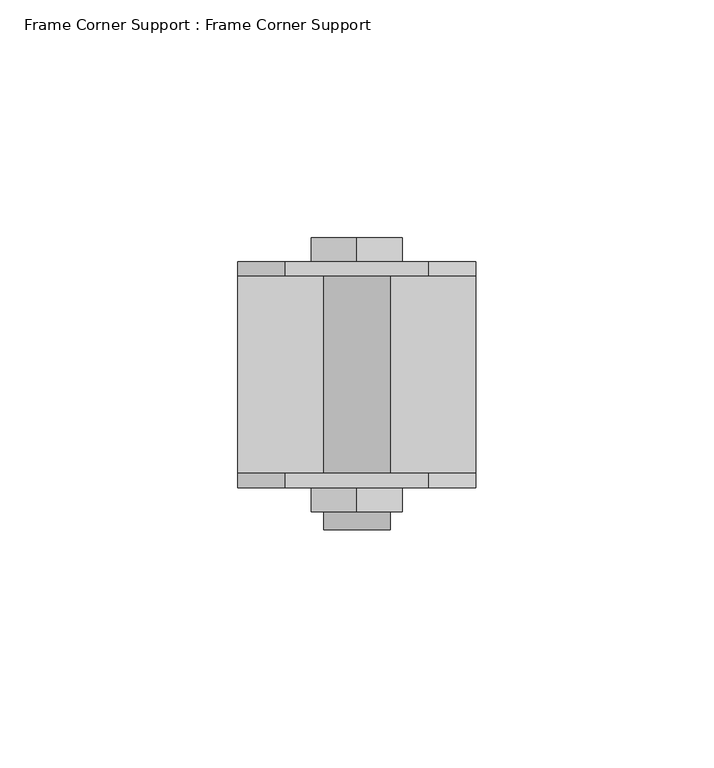
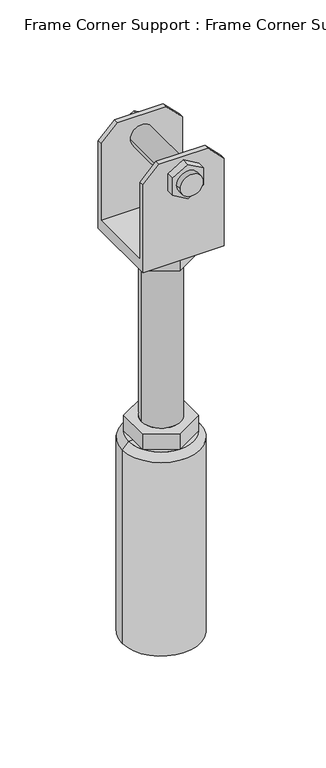
"""IFC4 building model written with IfcOpenShell, lengths in millimetres: proxy geometry, Frame Corner Support : Frame Corner Support."""

from ifc_helpers import new_model, si_unit, frame, origin, place, context, project, spatial, polyline, circle_curve, source, transform, mapped, element, save
from ifc_brep_helpers import plane_surface, cylinder_surface, revolved_surface, advanced_brep


def frame_corner_support_frame_corner_support_e8d8b887(model_context):
    return source(origin(), model_context, "Body", "AdvancedBrep", [
        advanced_brep(
        [(15.0, -20.75, 323.0), (25.0, -20.75, 313.0), (25.0, -20.75, 263.0), (-25.0, -20.75, 263.0), (-25.0, -20.75, 313.0), (-15.0, -20.75, 323.0), (7.0, -20.75, 309.5), (-7.0, -20.75, 309.5), (15.0, -23.75, 323.0), (-15.0, -23.75, 323.0), (-25.0, -23.75, 313.0), (-25.0, -23.75, 256.0), (25.0, -23.75, 256.0), (25.0, -23.75, 313.0), (-9.5805489, -23.75, 303.9686675), (-9.5805489, -23.75, 315.0313325), (0.0, -23.75, 320.562665), (9.5805489, -23.75, 315.0313325), (9.5805489, -23.75, 303.9686675), (0.0, -23.75, 298.437335), (15.0, 23.75, 323.0), (25.0, 23.75, 313.0), (25.0, 23.75, 256.0), (-25.0, 23.75, 256.0), (-25.0, 23.75, 313.0), (-15.0, 23.75, 323.0), (9.5805489, 23.75, 315.0313325), (0.0, 23.75, 320.562665), (-9.5805489, 23.75, 315.0313325), (-9.5805489, 23.75, 303.9686675), (0.0, 23.75, 298.437335), (9.5805489, 23.75, 303.9686675), (-25.0, 20.75, 263.0), (-25.0, 20.75, 313.0), (25.0, 20.75, 263.0), (25.0, 20.75, 313.0), (15.0, 20.75, 323.0), (-15.0, 20.75, 323.0), (-7.0, 20.75, 309.5), (7.0, 20.75, 309.5), (-17.3205081, 10.0, 256.0), (-17.3205081, -10.0, 256.0), (0.0, -20.0, 256.0), (17.3205081, -10.0, 256.0), (17.3205081, 10.0, 256.0), (0.0, 20.0, 256.0), (-7.0, -32.5981376, 309.5), (7.0, -32.5981376, 309.5), (7.0, -28.75, 309.5), (-7.0, -28.75, 309.5), (-9.5805489, -28.75, 315.0313325), (-9.5805489, -28.75, 303.9686675), (0.0, -28.75, 298.437335), (9.5805489, -28.75, 303.9686675), (9.5805489, -28.75, 315.0313325), (0.0, -28.75, 320.562665), (0.0, 28.75, 320.562665), (9.5805489, 28.75, 315.0313325), (9.5805489, 28.75, 303.9686675), (0.0, 28.75, 298.437335), (-9.5805489, 28.75, 303.9686675), (-9.5805489, 28.75, 315.0313325), (-17.3205081, 10.0, 246.0), (0.0, 20.0, 246.0), (17.3205081, 10.0, 246.0), (17.3205081, -10.0, 246.0), (0.0, -20.0, 246.0), (-17.3205081, -10.0, 246.0), (-12.0, 0.0, 246.0), (12.0, 0.0, 246.0), (-12.0, 0.0, 140.0), (12.0, 0.0, 140.0), (-17.3205081, 10.0, 140.0), (-17.3205081, -10.0, 140.0), (0.0, -20.0, 140.0), (17.3205081, -10.0, 140.0), (17.3205081, 10.0, 140.0), (0.0, 20.0, 140.0), (-17.3205081, 10.0, 130.0), (-17.3205081, 0.0, 130.0), (-17.3205081, -10.0, 130.0), (0.0, -20.0, 130.0), (17.3205081, -10.0, 130.0), (17.3205081, 0.0, 130.0), (17.3205081, 10.0, 130.0), (0.0, 20.0, 130.0), (-20.0, 0.0, 130.0), (20.0, 0.0, 130.0), (24.0, 0.0, 126.0), (-24.0, 0.0, 126.0), (24.0, 0.0, 0.0), (-24.0, 0.0, 0.0), (0.0, 0.0, 0.0)],
        [
            (0, 1),
            (1, 2),
            (2, 3),
            (3, 4),
            (4, 5),
            (5, 0),
            (6, 7, circle_curve(frame((0.0, -20.75, 309.5), z_axis=(0.0, -1.0, 0.0), x_axis=(-1.0, 0.0, 0.0)), 7.0)),
            (7, 6, circle_curve(frame((0.0, -20.75, 309.5), z_axis=(0.0, -1.0, 0.0), x_axis=(-1.0, 0.0, 0.0)), 7.0)),
            (8, 9),
            (9, 10),
            (10, 11),
            (11, 12),
            (12, 13),
            (13, 8),
            (14, 15),
            (15, 16),
            (16, 17),
            (17, 18),
            (18, 19),
            (19, 14),
            (5, 9),
            (8, 0),
            (4, 10),
            (13, 1),
            (20, 21),
            (21, 22),
            (22, 23),
            (23, 24),
            (24, 25),
            (25, 20),
            (26, 27),
            (27, 28),
            (28, 29),
            (29, 30),
            (30, 31),
            (31, 26),
            (32, 33),
            (33, 24),
            (23, 11),
            (3, 32),
            (32, 34),
            (34, 35),
            (35, 36),
            (36, 37),
            (37, 33),
            (38, 39, circle_curve(frame((0.0, 20.75, 309.5), z_axis=(0.0, 1.0, 0.0), x_axis=(-1.0, 0.0, 0.0)), 7.0)),
            (39, 38, circle_curve(frame((0.0, 20.75, 309.5), z_axis=(0.0, 1.0, 0.0), x_axis=(-1.0, 0.0, 0.0)), 7.0)),
            (34, 2),
            (12, 22),
            (21, 35),
            (36, 20),
            (25, 37),
            (40, 41),
            (41, 42),
            (42, 43),
            (43, 44),
            (44, 45),
            (45, 40),
            (46, 47, circle_curve(frame((0.0, -32.5981376, 309.5), z_axis=(0.0, -1.0, 0.0), x_axis=(-1.0, 0.0, 0.0)), 7.0)),
            (47, 46, circle_curve(frame((0.0, -32.5981376, 309.5), z_axis=(0.0, -1.0, 0.0), x_axis=(-1.0, 0.0, 0.0)), 7.0)),
            (47, 48),
            (48, 49, circle_curve(frame((0.0, -28.75, 309.5), z_axis=(0.0, -1.0, 0.0), x_axis=(-1.0, 0.0, 0.0)), 7.0)),
            (49, 46),
            (6, 39),
            (38, 7),
            (49, 48, circle_curve(frame((0.0, -28.75, 309.5), z_axis=(0.0, -1.0, 0.0), x_axis=(-1.0, 0.0, 0.0)), 7.0)),
            (50, 51),
            (51, 52),
            (52, 53),
            (53, 54),
            (54, 55),
            (55, 50),
            (50, 15),
            (14, 51),
            (19, 52),
            (18, 53),
            (17, 54),
            (16, 55),
            (56, 57),
            (57, 58),
            (58, 59),
            (59, 60),
            (60, 61),
            (61, 56),
            (56, 27),
            (26, 57),
            (31, 58),
            (30, 59),
            (29, 60),
            (28, 61),
            (62, 63),
            (63, 64),
            (64, 65),
            (65, 66),
            (66, 67),
            (67, 62),
            (68, 69, circle_curve(frame((0.0, 0.0, 246.0), z_axis=(0.0, 0.0, 1.0), x_axis=(1.0, 0.0, 0.0)), 12.0)),
            (69, 68, circle_curve(frame((0.0, 0.0, 246.0), z_axis=(0.0, 0.0, 1.0), x_axis=(1.0, 0.0, 0.0)), 12.0)),
            (67, 41),
            (40, 62),
            (66, 42),
            (65, 43),
            (64, 44),
            (63, 45),
            (68, 70),
            (70, 71, circle_curve(frame((0.0, 0.0, 140.0), z_axis=(0.0, 0.0, 1.0), x_axis=(1.0, 0.0, 0.0)), 12.0)),
            (71, 69),
            (71, 70, circle_curve(frame((0.0, 0.0, 140.0), z_axis=(0.0, 0.0, 1.0), x_axis=(1.0, 0.0, 0.0)), 12.0)),
            (72, 73),
            (73, 74),
            (74, 75),
            (75, 76),
            (76, 77),
            (77, 72),
            (72, 78),
            (78, 79),
            (79, 80),
            (80, 73),
            (80, 81),
            (81, 74),
            (81, 82),
            (82, 75),
            (82, 83),
            (83, 84),
            (84, 76),
            (84, 85),
            (85, 77),
            (85, 78),
            (78, 86, circle_curve(frame((0.0, 0.0, 130.0), z_axis=(0.0, 0.0, 1.0), x_axis=(-1.0, 0.0, 0.0)), 20.0)),
            (86, 79),
            (85, 78, circle_curve(frame((0.0, 0.0, 130.0), z_axis=(0.0, 0.0, 1.0), x_axis=(-1.0, 0.0, 0.0)), 20.0)),
            (87, 84, circle_curve(frame((0.0, 0.0, 130.0), z_axis=(0.0, 0.0, 1.0), x_axis=(-1.0, 0.0, 0.0)), 20.0)),
            (83, 87),
            (84, 85, circle_curve(frame((0.0, 0.0, 130.0), z_axis=(0.0, 0.0, 1.0), x_axis=(-1.0, 0.0, 0.0)), 20.0)),
            (82, 87, circle_curve(frame((0.0, 0.0, 130.0), z_axis=(0.0, 0.0, 1.0), x_axis=(-1.0, 0.0, 0.0)), 20.0)),
            (81, 82, circle_curve(frame((0.0, 0.0, 130.0), z_axis=(0.0, 0.0, 1.0), x_axis=(-1.0, 0.0, 0.0)), 20.0)),
            (86, 80, circle_curve(frame((0.0, 0.0, 130.0), z_axis=(0.0, 0.0, 1.0), x_axis=(-1.0, 0.0, 0.0)), 20.0)),
            (80, 81, circle_curve(frame((0.0, 0.0, 130.0), z_axis=(0.0, 0.0, 1.0), x_axis=(-1.0, 0.0, 0.0)), 20.0)),
            (88, 89, circle_curve(frame((0.0, 0.0, 126.0), z_axis=(0.0, 0.0, 1.0), x_axis=(-1.0, 0.0, 0.0)), 24.0)),
            (89, 86),
            (87, 88),
            (89, 88, circle_curve(frame((0.0, 0.0, 126.0), z_axis=(0.0, 0.0, 1.0), x_axis=(-1.0, 0.0, 0.0)), 24.0)),
            (88, 90),
            (90, 91, circle_curve(frame((0.0, 0.0, 0.0), z_axis=(0.0, 0.0, 1.0), x_axis=(-1.0, 0.0, 0.0)), 24.0)),
            (91, 89),
            (91, 90, circle_curve(frame((0.0, 0.0, 0.0), z_axis=(0.0, 0.0, 1.0), x_axis=(-1.0, 0.0, 0.0)), 24.0)),
            (90, 92),
            (92, 91),
        ],
        [
            plane_surface(frame((-15.9849059, -20.75, 323.0), z_axis=(0.0, 1.0, 0.0), x_axis=(1.0, 0.0, 0.0))),
            plane_surface(frame((-15.9849059, -23.75, 323.0), z_axis=(0.0, -1.0, 0.0), x_axis=(-1.0, 0.0, 0.0))),
            plane_surface(frame((15.0, -23.75, 323.0), z_axis=(0.0, 0.0, 1.0), x_axis=(0.0, 1.0, 0.0))),
            plane_surface(frame((-15.0, -23.75, 323.0), z_axis=(-0.7071067811865468, 0.0, 0.7071067811865483), x_axis=(0.0, 1.0, 0.0))),
            plane_surface(frame((25.0, -23.75, 313.0), z_axis=(0.707106781186549, 0.0, 0.707106781186546), x_axis=(0.0, 1.0, 0.0))),
            plane_surface(frame((25.0, 23.75, 313.0), z_axis=(0.0, 1.0, 0.0), x_axis=(0.0, 0.0, -1.0))),
            plane_surface(frame((-25.0, 23.75, 313.0), z_axis=(-1.0, 0.0, 0.0), x_axis=(0.0, 0.0, -1.0))),
            plane_surface(frame((-25.0, 20.75, 313.0), z_axis=(0.0, -1.0, 0.0), x_axis=(0.0, 0.0, -1.0))),
            plane_surface(frame((25.0, 20.75, 313.0), z_axis=(1.0, 0.0, 0.0), x_axis=(0.0, 0.0, -1.0))),
            plane_surface(frame((-15.0, 23.75, 323.0), z_axis=(0.0, 0.0, 1.0), x_axis=(0.0, -1.0, 0.0))),
            plane_surface(frame((-25.0, 23.75, 313.0), z_axis=(-0.7071067811865468, 0.0, 0.7071067811865483), x_axis=(0.0, -1.0, 0.0))),
            plane_surface(frame((15.0, 23.75, 323.0), z_axis=(0.707106781186549, 0.0, 0.707106781186546), x_axis=(0.0, -1.0, 0.0))),
            plane_surface(frame((-25.0, 23.75, 263.0), z_axis=(0.0, 0.0, 1.0), x_axis=(-1.0, 0.0, 0.0))),
            plane_surface(frame((-25.0, 23.75, 256.0), z_axis=(0.0, 0.0, -1.0), x_axis=(1.0, 0.0, 0.0))),
            plane_surface(frame((-7.0, -32.5981376, 309.5), z_axis=(0.0, -1.0, 0.0), x_axis=(0.0, 0.0, -1.0))),
            cylinder_surface(frame((0.0, -32.5981376, 309.5), z_axis=(0.0, 1.0, 0.0), x_axis=(-1.0, 0.0, 0.0)), 7.0),
            plane_surface(frame((-9.5805489, -28.75, 315.0313325), z_axis=(0.0, -1.0, 0.0), x_axis=(0.0, 0.0, -1.0))),
            plane_surface(frame((-9.5805489, -28.75, 315.0313325), z_axis=(-1.0, 0.0, 0.0), x_axis=(0.0, 1.0, 0.0))),
            plane_surface(frame((-9.5805489, -28.75, 303.9686675), z_axis=(-0.500000000000003, 0.0, -0.8660254037844369), x_axis=(0.0, 1.0, 0.0))),
            plane_surface(frame((0.0, -28.75, 298.437335), z_axis=(0.4999999999999972, 0.0, -0.8660254037844403), x_axis=(0.0, 1.0, 0.0))),
            plane_surface(frame((9.5805489, -28.75, 303.9686675), z_axis=(1.0, 0.0, 0.0), x_axis=(0.0, 1.0, 0.0))),
            plane_surface(frame((9.5805489, -28.75, 315.0313325), z_axis=(0.500000000000003, 0.0, 0.866025403784437), x_axis=(0.0, 1.0, 0.0))),
            plane_surface(frame((0.0, -28.75, 320.562665), z_axis=(-0.4999999999999963, 0.0, 0.8660254037844408), x_axis=(0.0, 1.0, 0.0))),
            plane_surface(frame((0.0, 28.75, 320.562665), z_axis=(0.0, 1.0, 0.0), x_axis=(0.8660254037844373, 0.0, -0.5000000000000024))),
            plane_surface(frame((0.0, 28.75, 320.562665), z_axis=(0.5000000000000024, 0.0, 0.8660254037844373), x_axis=(0.0, -1.0, 0.0))),
            plane_surface(frame((9.5805489, 28.75, 315.0313325), z_axis=(1.0, 0.0, 0.0), x_axis=(0.0, -1.0, 0.0))),
            plane_surface(frame((9.5805489, 28.75, 303.9686675), z_axis=(0.4999999999999971, 0.0, -0.8660254037844404), x_axis=(0.0, -1.0, 0.0))),
            plane_surface(frame((0.0, 28.75, 298.437335), z_axis=(-0.5000000000000033, 0.0, -0.8660254037844368), x_axis=(0.0, -1.0, 0.0))),
            plane_surface(frame((-9.5805489, 28.75, 303.9686675), z_axis=(-1.0, 0.0, 0.0), x_axis=(0.0, -1.0, 0.0))),
            plane_surface(frame((-9.5805489, 28.75, 315.0313325), z_axis=(-0.4999999999999967, 0.0, 0.8660254037844405), x_axis=(0.0, -1.0, 0.0))),
            plane_surface(frame((-17.3205081, 10.0, 246.0), z_axis=(0.0, 0.0, -1.0), x_axis=(0.0, 1.0, 0.0))),
            plane_surface(frame((-17.3205081, 10.0, 256.0), z_axis=(-1.0, 0.0, 0.0), x_axis=(0.0, 0.0, -1.0))),
            plane_surface(frame((-17.3205081, -10.0, 256.0), z_axis=(-0.5000000000000034, -0.8660254037844367, 0.0), x_axis=(0.0, 0.0, -1.0))),
            plane_surface(frame((0.0, -20.0, 256.0), z_axis=(0.4999999999999958, -0.8660254037844412, 0.0), x_axis=(0.0, 0.0, -1.0))),
            plane_surface(frame((17.3205081, -10.0, 256.0), z_axis=(1.0, 0.0, 0.0), x_axis=(0.0, 0.0, -1.0))),
            plane_surface(frame((17.3205081, 10.0, 256.0), z_axis=(0.5000000000000064, 0.866025403784435, 0.0), x_axis=(0.0, 0.0, -1.0))),
            plane_surface(frame((0.0, 20.0, 256.0), z_axis=(-0.4999999999999984, 0.8660254037844396, 0.0), x_axis=(0.0, 0.0, -1.0))),
            cylinder_surface(frame((0.0, 0.0, 140.0), z_axis=(0.0, 0.0, 1.0), x_axis=(1.0, 0.0, 0.0)), 12.0),
            plane_surface(frame((-17.3205081, 10.0, 140.0), z_axis=(0.0, 0.0, 1.0), x_axis=(0.0, -1.0, 0.0))),
            plane_surface(frame((-17.3205081, 10.0, 140.0), z_axis=(-1.0, 0.0, 0.0), x_axis=(0.0, 0.0, -1.0))),
            plane_surface(frame((-17.3205081, -10.0, 140.0), z_axis=(-0.5000000000000034, -0.8660254037844367, 0.0), x_axis=(0.0, 0.0, -1.0))),
            plane_surface(frame((0.0, -20.0, 140.0), z_axis=(0.49999999999999545, -0.8660254037844413, 0.0), x_axis=(0.0, 0.0, -1.0))),
            plane_surface(frame((17.3205081, -10.0, 140.0), z_axis=(1.0, 0.0, 0.0), x_axis=(0.0, 0.0, -1.0))),
            plane_surface(frame((17.3205081, 10.0, 140.0), z_axis=(0.5000000000000064, 0.866025403784435, 0.0), x_axis=(0.0, 0.0, -1.0))),
            plane_surface(frame((0.0, 20.0, 140.0), z_axis=(-0.49999999999999845, 0.8660254037844396, 0.0), x_axis=(0.0, 0.0, -1.0))),
            plane_surface(frame((0.0, 0.0, 130.0), z_axis=(0.0, 0.0, 1.0), x_axis=(-1.0, 0.0, 0.0))),
            revolved_surface(polyline([(-20.0, 0.0, 130.0), (-24.0, 0.0, 126.0)]), (0.0, 0.0, 155.0), (0.0, 0.0, -1.0)),
            cylinder_surface(frame((0.0, 0.0, 155.0), z_axis=(0.0, 0.0, -1.0), x_axis=(-1.0, 0.0, 0.0)), 24.0),
            plane_surface(frame((0.0, 0.0, 0.0), z_axis=(0.0, 0.0, -1.0), x_axis=(-1.0, 0.0, 0.0))),
        ],
        [
            (0, [[1, 2, 3, 4, 5, 6], [7, 8]]),
            (1, [[9, 10, 11, 12, 13, 14], [15, 16, 17, 18, 19, 20]]),
            (2, [[-6, 21, -9, 22]]),
            (3, [[-5, 23, -10, -21]]),
            (4, [[-1, -22, -14, 24]]),
            (5, [[25, 26, 27, 28, 29, 30], [31, 32, 33, 34, 35, 36]]),
            (6, [[37, 38, -28, 39, -11, -23, -4, 40]]),
            (7, [[-37, 41, 42, 43, 44, 45], [46, 47]]),
            (8, [[-42, 48, -2, -24, -13, 49, -26, 50]]),
            (9, [[-44, 51, -30, 52]]),
            (10, [[-45, -52, -29, -38]]),
            (11, [[-43, -50, -25, -51]]),
            (12, [[-48, -41, -40, -3]]),
            (13, [[-49, -12, -39, -27], [53, 54, 55, 56, 57, 58]]),
            (14, [[59, 60]]),
            (15, [[-60, 61, 62, 63]]),
            (15, [[64, -46, 65, -7]]),
            (15, [[-59, -63, 66, -61]]),
            (15, [[-64, -8, -65, -47]]),
            (16, [[67, 68, 69, 70, 71, 72], [-62, -66]]),
            (17, [[-67, 73, -15, 74]]),
            (18, [[-68, -74, -20, 75]]),
            (19, [[-69, -75, -19, 76]]),
            (20, [[-70, -76, -18, 77]]),
            (21, [[-71, -77, -17, 78]]),
            (22, [[-72, -78, -16, -73]]),
            (23, [[79, 80, 81, 82, 83, 84]]),
            (24, [[-79, 85, -31, 86]]),
            (25, [[-80, -86, -36, 87]]),
            (26, [[-81, -87, -35, 88]]),
            (27, [[-82, -88, -34, 89]]),
            (28, [[-83, -89, -33, 90]]),
            (29, [[-84, -90, -32, -85]]),
            (30, [[91, 92, 93, 94, 95, 96], [97, 98]]),
            (31, [[-96, 99, -53, 100]]),
            (32, [[-95, 101, -54, -99]]),
            (33, [[-94, 102, -55, -101]]),
            (34, [[-93, 103, -56, -102]]),
            (35, [[-92, 104, -57, -103]]),
            (36, [[-91, -100, -58, -104]]),
            (37, [[105, 106, 107, -97]]),
            (37, [[-105, -98, -107, 108]]),
            (38, [[109, 110, 111, 112, 113, 114], [-106, -108]]),
            (39, [[-109, 115, 116, 117, 118]]),
            (40, [[-110, -118, 119, 120]]),
            (41, [[-111, -120, 121, 122]]),
            (42, [[-112, -122, 123, 124, 125]]),
            (43, [[-113, -125, 126, 127]]),
            (44, [[-114, -127, 128, -115]]),
            (45, [[129, 130, -116]]),
            (45, [[131, -128]]),
            (45, [[132, -124, 133]]),
            (45, [[134, -126]]),
            (45, [[135, -133, -123]]),
            (45, [[136, -121]]),
            (45, [[137, -117, -130]]),
            (45, [[138, -119]]),
            (46, [[139, 140, -129, -131, -134, -132, 141]]),
            (46, [[-140, 142, -141, -135, -136, -138, -137]]),
            (47, [[-139, 143, 144, 145]]),
            (47, [[-142, -145, 146, -143]]),
            (48, [[-144, 147, 148]]),
            (48, [[-146, -148, -147]]),
        ],
    ),
    ])


if __name__ == "__main__":
    model = new_model("IFC4")
    model_context = context("Model", 3, world=origin())
    ifc_project = project(units=[si_unit("LENGTHUNIT", "METRE", prefix="MILLI")], contexts=[model_context])
    site = spatial("IfcSite", under=ifc_project)
    building = spatial("IfcBuilding", under=site)
    placement = place(None, origin())
    frame_corner_support_frame_corner_support_shape = frame_corner_support_frame_corner_support_e8d8b887(model_context)
    element("IfcBuildingElementProxy", 1, Name="Frame Corner Support : Frame Corner Support", ObjectType="Frame Corner Support : Frame Corner Support", at=placement, inside=building, context=model_context, shape_type="MappedRepresentation", body=[
        mapped(frame_corner_support_frame_corner_support_shape, transform((0.0, 0.0, 0.0), x_axis=(1.0, 0.0, 0.0), y_axis=(0.0, 1.0, 0.0), z_axis=(0.0, 0.0, 1.0))),
    ])
    save(model, "model.ifc")
